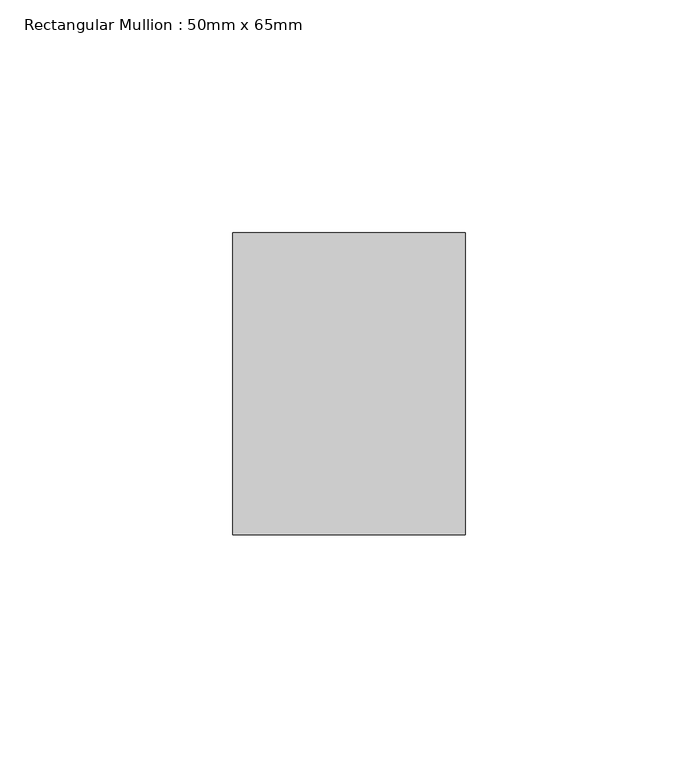
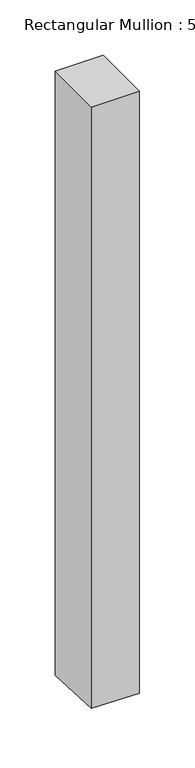
"""IFC4 building model written with IfcOpenShell, lengths in millimetres: member geometry, Rectangular Mullion : 50mm x 65mm."""

from ifc_helpers import new_model, si_unit, origin, place, context, project, spatial, faceted_brep, source, transform, mapped, element, save


def rectangular_mullion_50mm_x_65mm_b9116919(model_context):
    return source(origin(), model_context, "Body", "Brep", [
        faceted_brep([(25.0, 32.5, 0.0), (-25.0, 32.5, 0.0), (-25.0, -32.5, 0.0), (25.0, -32.5, 0.0), (25.0, 32.5, -666.8435572), (-25.0, 32.5, -665.9537719), (-25.0, -32.5, -662.5809604), (25.0, -32.5, -663.4707457)], [[[0, 1, 2, 3]], [[1, 0, 4, 5]], [[2, 1, 5, 6]], [[3, 2, 6, 7]], [[0, 3, 7, 4]], [[4, 7, 6, 5]]]),
    ])


if __name__ == "__main__":
    model = new_model("IFC4")
    model_context = context("Model", 3, world=origin())
    ifc_project = project(units=[si_unit("LENGTHUNIT", "METRE", prefix="MILLI")], contexts=[model_context])
    site = spatial("IfcSite", under=ifc_project)
    building = spatial("IfcBuilding", under=site)
    placement = place(None, origin())
    rectangular_mullion_50mm_x_65mm_shape = rectangular_mullion_50mm_x_65mm_b9116919(model_context)
    element("IfcMember", 1, ObjectType="Rectangular Mullion : 50mm x 65mm", at=placement, inside=building, context=model_context, shape_type="MappedRepresentation", body=[
        mapped(rectangular_mullion_50mm_x_65mm_shape, transform((0.0, 0.0, 0.0), x_axis=(1.0, 0.0, 0.0), y_axis=(0.0, 1.0, 0.0), z_axis=(0.0, 0.0, 1.0))),
    ])
    save(model, "model.ifc")
